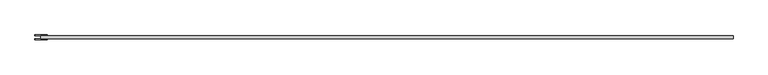
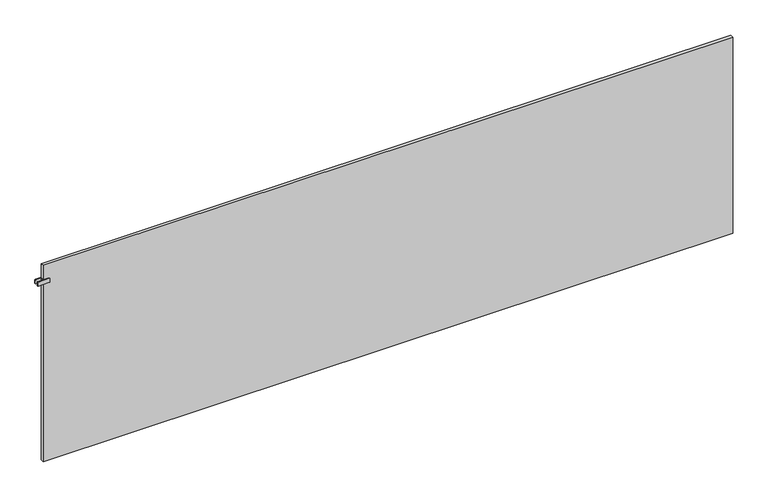
"""IFC4 building model written with IfcOpenShell, lengths in millimetres: plate geometry."""

from ifc_helpers import new_model, si_unit, point, frame, frame_2d, origin, origin_with_axes, place, context, project, spatial, polyline, circle_curve, trimmed, segment, composite_curve, outline, extrude, source, transform, mapped, element, save


def plate_6f42d1c3(model_context):
    return source(origin(), model_context, "Body", "SweptSolid", [
        extrude(outline(polyline([(-1997.5, -40.75), (-1997.5, -23.25), (-1992.5, -23.25), (-1992.5, -40.75), (-1997.5, -40.75)])), frame((0.0, 0.0, 1087.5), z_axis=(0.0, 0.0, 1.0), x_axis=(1.0, 0.0, 0.0)), (0.0, 0.0, 1.0), 25.0),
        extrude(outline(composite_curve([segment(trimmed(circle_curve(frame_2d((1090.5, -1963.0)), 3.0), [point((1087.5, -1963.0))], [point((1090.5, -1960.0))], False, "CARTESIAN"), True, "CONTINUOUS"), segment(polyline([(1090.5, -1960.0), (1109.5, -1960.0)]), True, "CONTINUOUS"), segment(trimmed(circle_curve(frame_2d((1109.5, -1963.0)), 3.0), [point((1109.5, -1960.0))], [point((1112.5, -1963.0))], False, "CARTESIAN"), True, "CONTINUOUS"), segment(polyline([(1112.5, -1963.0), (1112.5, -2027.0)]), True, "CONTINUOUS"), segment(trimmed(circle_curve(frame_2d((1109.5, -2027.0)), 3.0), [point((1112.5, -2027.0))], [point((1109.5, -2030.0))], False, "CARTESIAN"), True, "CONTINUOUS"), segment(polyline([(1109.5, -2030.0), (1090.5, -2030.0)]), True, "CONTINUOUS"), segment(trimmed(circle_curve(frame_2d((1090.5, -2027.0)), 3.0), [point((1090.5, -2030.0))], [point((1087.5, -2027.0))], False, "CARTESIAN"), True, "CONTINUOUS"), segment(polyline([(1087.5, -2027.0), (1087.5, -1963.0)]), True, "CONTINUOUS")], self_intersect=False)), frame((0.0, -23.25, 0.0), z_axis=(0.0, 1.0, 0.0), x_axis=(0.0, 0.0, 1.0)), (0.0, 0.0, 1.0), 5.0),
        extrude(outline(composite_curve([segment(trimmed(circle_curve(frame_2d((1090.5, -1963.0)), 3.0), [point((1087.5, -1963.0))], [point((1090.5, -1960.0))], False, "CARTESIAN"), True, "CONTINUOUS"), segment(polyline([(1090.5, -1960.0), (1109.5, -1960.0)]), True, "CONTINUOUS"), segment(trimmed(circle_curve(frame_2d((1109.5, -1963.0)), 3.0), [point((1109.5, -1960.0))], [point((1112.5, -1963.0))], False, "CARTESIAN"), True, "CONTINUOUS"), segment(polyline([(1112.5, -1963.0), (1112.5, -2027.0)]), True, "CONTINUOUS"), segment(trimmed(circle_curve(frame_2d((1109.5, -2027.0)), 3.0), [point((1112.5, -2027.0))], [point((1109.5, -2030.0))], False, "CARTESIAN"), True, "CONTINUOUS"), segment(polyline([(1109.5, -2030.0), (1090.5, -2030.0)]), True, "CONTINUOUS"), segment(trimmed(circle_curve(frame_2d((1090.5, -2027.0)), 3.0), [point((1090.5, -2030.0))], [point((1087.5, -2027.0))], False, "CARTESIAN"), True, "CONTINUOUS"), segment(polyline([(1087.5, -2027.0), (1087.5, -1963.0)]), True, "CONTINUOUS")], self_intersect=False)), frame((0.0, -45.75, 0.0), z_axis=(0.0, 1.0, 0.0), x_axis=(0.0, 0.0, 1.0)), (0.0, 0.0, 1.0), 5.0),
        extrude(outline(polyline([(1995.0, -23.25), (1995.0, -40.75), (-1995.0, -40.75), (-1995.0, -23.25), (1995.0, -23.25)])), origin_with_axes(), (0.0, 0.0, 1.0), 1200.0),
    ])


if __name__ == "__main__":
    model = new_model("IFC4")
    model_context = context("Model", 3, world=origin())
    ifc_project = project(units=[si_unit("LENGTHUNIT", "METRE", prefix="MILLI")], contexts=[model_context])
    site = spatial("IfcSite", under=ifc_project)
    building = spatial("IfcBuilding", under=site)
    placement = place(None, origin())
    plate_shape = plate_6f42d1c3(model_context)
    element("IfcPlate", 1, at=placement, inside=building, context=model_context, shape_type="MappedRepresentation", body=[
        mapped(plate_shape, transform((0.0, 0.0, 0.0), x_axis=(1.0, 0.0, 0.0), y_axis=(0.0, 1.0, 0.0), z_axis=(0.0, 0.0, 1.0))),
    ])
    save(model, "model.ifc")
